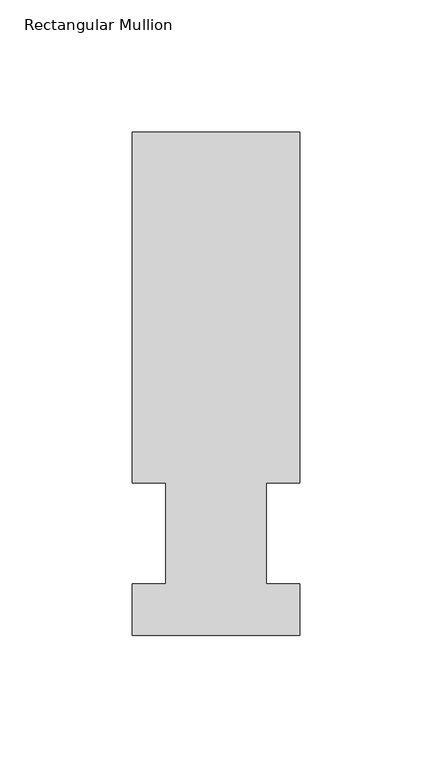
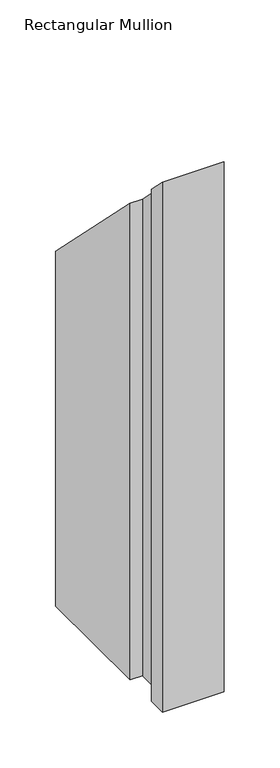
"""IFC4 building model written with IfcOpenShell, lengths in millimetres: member geometry, Rectangular Mullion."""

import ifcopenshell
import ifcopenshell.guid

model = None  # the IFC model being written
_history = None  # IfcOwnerHistory: only IFC2X3 demands one
_inside = {}  # id of a spatial element -> (the spatial element, [elements in it])
_under = {}  # id of a project, library or spatial element -> (it, [spatial elements below it])
_declared = {}  # id of a project -> (the project, [libraries it declares])
_typed = {}  # id of a type object -> (the type object, [elements of that type])
_made_of = {}  # id of a material, layer set ... -> (it, [elements and type objects made of it])


def new_model(schema):
    """Start an empty IFC model of exactly this schema.

    Asked for "IFC4X3", IfcOpenShell would pick the latest addendum, in which some entities
    have other attributes; the version numbers below select the first issue.
    IFC2X3 requires an IfcOwnerHistory on every rooted entity: one is made here for all.
    """
    global model, _history
    if schema == "IFC4X3":
        model = ifcopenshell.file(schema_version=(4, 3, 0, 0))
    else:
        model = ifcopenshell.file(schema=schema)
    _inside.clear()
    _under.clear()
    _declared.clear()
    _typed.clear()
    _made_of.clear()
    _history = None
    if model.schema == "IFC2X3":
        org = make("IfcOrganization", Name="unknown")
        user = make(
            "IfcPersonAndOrganization",
            ThePerson=make("IfcPerson", FamilyName="unknown"),
            TheOrganization=org,
        )
        app = make(
            "IfcApplication",
            ApplicationDeveloper=org,
            Version="unknown",
            ApplicationFullName="unknown",
            ApplicationIdentifier="unknown",
        )
        _history = make(
            "IfcOwnerHistory",
            OwningUser=user,
            OwningApplication=app,
            ChangeAction="ADDED",
            CreationDate=0,
        )
    return model


def make(cls, **values):
    """One entity of the class cls with the attributes given. An attribute that is None is left unset."""
    return model.create_entity(
        cls, **{name: value for name, value in values.items() if value is not None}
    )


def rooted(cls, **values):
    """An entity with a GlobalId (a new one), such as an element, a storey or a relation."""
    return make(cls, GlobalId=ifcopenshell.guid.new(), OwnerHistory=_history, **values)


def si_unit(unit_type, name, prefix=None):
    """IfcSIUnit, for example si_unit("LENGTHUNIT", "METRE", prefix="MILLI")."""
    return make("IfcSIUnit", UnitType=unit_type, Prefix=prefix, Name=name)


def assignment(units):
    """IfcUnitAssignment: the units of a project."""
    return None if units is None else make("IfcUnitAssignment", Units=units)


def point(xyz):
    """IfcCartesianPoint."""
    return None if xyz is None else make("IfcCartesianPoint", Coordinates=xyz)


def direction(xyz):
    """IfcDirection."""
    return None if xyz is None else make("IfcDirection", DirectionRatios=xyz)


def frame(location, z_axis=None, x_axis=None):
    """IfcAxis2Placement3D, a coordinate frame: its origin and axes. An axis left out is left unset."""
    return make(
        "IfcAxis2Placement3D",
        Location=point(location),
        Axis=direction(z_axis),
        RefDirection=direction(x_axis),
    )


def origin():
    """The frame at (0, 0, 0) with its axes left unset."""
    return frame((0.0, 0.0, 0.0))


def place(relative_to, where):
    """IfcLocalPlacement: puts the frame where relative to a parent placement (None: the world)."""
    return make(
        "IfcLocalPlacement", PlacementRelTo=relative_to, RelativePlacement=where
    )


def context(
    kind, dimensions, precision=None, world=None, true_north=None, identifier=None
):
    """IfcGeometricRepresentationContext, for example the 3D "Model" context."""
    return make(
        "IfcGeometricRepresentationContext",
        ContextIdentifier=identifier,
        ContextType=kind,
        CoordinateSpaceDimension=dimensions,
        Precision=precision,
        WorldCoordinateSystem=world,
        TrueNorth=true_north,
    )


def project(units=None, contexts=None):
    """IfcProject with its units and contexts."""
    return rooted(
        "IfcProject",
        Name="project",
        RepresentationContexts=contexts,
        UnitsInContext=assignment(units),
    )


def spatial(cls, under=None, at=None, **own):
    """A site, building, storey or space (cls), placed at a placement, below another one or the project."""
    s = rooted(cls, ObjectPlacement=at, **own)
    if under is not None:
        _under.setdefault(under.id(), (under, []))[1].append(s)
    return s


def faces_of(points, faces, orient=None, outer=None):
    """IfcFace entities. A face is a list of loops; a loop is a list of indices into points, from 0.

    orient and outer hold one flag for each loop. By default every Orientation is true, the
    first loop of a face is its IfcFaceOuterBound and the others are IfcFaceBound.
    """
    made = []
    for i, loops in enumerate(faces):
        bounds = []
        for j, loop in enumerate(loops):
            is_outer = j == 0 if outer is None else outer[i][j]
            bounds.append(
                make(
                    "IfcFaceOuterBound" if is_outer else "IfcFaceBound",
                    Bound=make("IfcPolyLoop", Polygon=[points[k] for k in loop]),
                    Orientation=True if orient is None else orient[i][j],
                )
            )
        made.append(make("IfcFace", Bounds=bounds))
    return made


def faceted_brep(points, faces, orient=None, outer=None, voids=None):
    """IfcFacetedBrep: a solid bounded by flat faces; with voids (closed shells), ...WithVoids."""
    shared = [point(p) for p in points]
    hull = make("IfcClosedShell", CfsFaces=faces_of(shared, faces, orient, outer))
    if voids is None:
        return make("IfcFacetedBrep", Outer=hull)
    return make(
        "IfcFacetedBrepWithVoids",
        Outer=hull,
        Voids=[
            make(cls, CfsFaces=faces_of(shared, fs, o, b)) for cls, fs, o, b in voids
        ],
    )


def shape(context_of_items, identifier, shape_type, items):
    """IfcShapeRepresentation: the items that make up one representation, for example the "Body"."""
    return make(
        "IfcShapeRepresentation",
        ContextOfItems=context_of_items,
        RepresentationIdentifier=identifier,
        RepresentationType=shape_type,
        Items=items,
    )


def source(mapping_origin, context_of_items, identifier, shape_type, items):
    """IfcRepresentationMap: a shape defined once, which mapped items show again and again."""
    return make(
        "IfcRepresentationMap",
        MappingOrigin=mapping_origin,
        MappedRepresentation=shape(context_of_items, identifier, shape_type, items),
    )


def transform(
    local_origin,
    x_axis=None,
    y_axis=None,
    z_axis=None,
    scale=None,
    scale2=None,
    scale3=None,
    uniform=True,
):
    """IfcCartesianTransformationOperator3D, or its non-uniform kind. x_axis, y_axis, z_axis: its Axis1, 2, 3."""
    if uniform:
        return make(
            "IfcCartesianTransformationOperator3D",
            Axis1=direction(x_axis),
            Axis2=direction(y_axis),
            LocalOrigin=point(local_origin),
            Scale=scale,
            Axis3=direction(z_axis),
        )
    return make(
        "IfcCartesianTransformationOperator3DnonUniform",
        Axis1=direction(x_axis),
        Axis2=direction(y_axis),
        LocalOrigin=point(local_origin),
        Scale=scale,
        Axis3=direction(z_axis),
        Scale2=scale2,
        Scale3=scale3,
    )


def mapped(mapping_source, mapping_target):
    """IfcMappedItem: shows the shape of a source again, moved by a transform."""
    return make(
        "IfcMappedItem", MappingSource=mapping_source, MappingTarget=mapping_target
    )


def made_of(thing, what):
    """Note that an element or type object is made of a material, layer set ...; save() writes the relation."""
    if what is not None:
        _made_of.setdefault(what.id(), (what, []))[1].append(thing)
    return thing


def element(
    cls,
    number,
    at=None,
    inside=None,
    cuts=None,
    type_object=None,
    material=None,
    context=None,
    identifier="Body",
    shape_type=None,
    held_by="IfcProductDefinitionShape",
    body=None,
    shapes=None,
    **own,
):
    """One element of the class cls, such as IfcWall. Its Tag is "e" and its number.

    at: its placement. inside: the storey or other place that contains it. cuts: it is an
    opening in that element (IfcRelVoidsElement). A single representation is given by context,
    identifier, shape_type and body (its items); several are given by shapes. held_by: the class
    of the entity that holds the representations. save() writes the other relations.
    """
    e = rooted(cls, Tag="e%d" % number, ObjectPlacement=at, **own)
    if body is not None:
        shapes = [shape(context, identifier, shape_type, body)]
    if shapes is not None:
        e.Representation = make(held_by, Representations=shapes)
    if inside is not None:
        _inside.setdefault(inside.id(), (inside, []))[1].append(e)
    if cuts is not None:
        rooted(
            "IfcRelVoidsElement", RelatingBuildingElement=cuts, RelatedOpeningElement=e
        )
    if type_object is not None:
        _typed.setdefault(type_object.id(), (type_object, []))[1].append(e)
    return made_of(e, material)


def aggregate(whole, parts):
    """IfcRelAggregates: a whole, such as a stair, and the parts it consists of."""
    return rooted("IfcRelAggregates", RelatingObject=whole, RelatedObjects=parts)


def save(model, path):
    """Write the relations noted so far, then the file.

    IfcRelAggregates (storeys below a building ...), IfcRelContainedInSpatialStructure (elements
    in a storey), IfcRelDefinesByType, IfcRelAssociatesMaterial and IfcRelDeclares: one each for
    every whole, place, type object, material and project.
    """
    for whole, parts in _under.values():
        aggregate(whole, parts)
    for where, things in _inside.values():
        rooted(
            "IfcRelContainedInSpatialStructure",
            RelatedElements=things,
            RelatingStructure=where,
        )
    for kind, things in _typed.values():
        rooted("IfcRelDefinesByType", RelatedObjects=things, RelatingType=kind)
    for what, things in _made_of.values():
        rooted("IfcRelAssociatesMaterial", RelatedObjects=things, RelatingMaterial=what)
    for by, libraries in _declared.values():
        rooted("IfcRelDeclares", RelatingContext=by, RelatedDefinitions=libraries)
    model.write(path)


def rectangular_mullion_42759eb8(model_context):
    return source(origin(), model_context, "Body", "Brep", [
        faceted_brep([(-63.5, 57.6460937, -577.81825), (-63.5, 190.5896938, -577.81825), (0.0, 190.5896938, -577.81825), (0.0, 57.6460937, -577.81825), (-12.6873, 57.6460937, -577.81825), (-12.6873, 19.5460938, -577.81825), (0.0, 19.5460938, -577.81825), (0.0, 0.0134938, -577.81825), (-63.5, 0.0134938, -577.81825), (-63.5, 19.5460938, -577.81825), (-50.8, 19.5460938, -577.81825), (-50.8, 57.6460937, -577.81825), (-50.8, 57.6460937, -57.6460937), (-63.5, 57.6460937, -57.6460937), (-50.8, 19.5460938, -19.5460938), (-63.5, 19.5460938, -19.5460938), (-63.5, 0.0134938, -0.0134938), (0.0, 0.0134938, -0.0134938), (0.0, 19.5460938, -19.5460938), (-12.6873, 19.5460938, -19.5460938), (-12.6873, 57.6460937, -57.6460937), (0.0, 57.6460937, -57.6460937), (0.0, 190.5896938, -190.5896938), (-63.5, 190.5896938, -190.5896938)], [[[0, 1, 2, 3, 4, 5, 6, 7, 8, 9, 10, 11]], [[12, 13, 0, 11]], [[14, 12, 11, 10]], [[15, 14, 10, 9]], [[16, 15, 9, 8]], [[17, 16, 8, 7]], [[18, 17, 7, 6]], [[19, 18, 6, 5]], [[20, 19, 5, 4]], [[21, 20, 4, 3]], [[22, 21, 3, 2]], [[23, 22, 2, 1]], [[13, 23, 1, 0]], [[13, 12, 14, 15, 16, 17, 18, 19, 20, 21, 22, 23]]]),
    ])


if __name__ == "__main__":
    model = new_model("IFC4")
    model_context = context("Model", 3, world=origin())
    ifc_project = project(units=[si_unit("LENGTHUNIT", "METRE", prefix="MILLI")], contexts=[model_context])
    site = spatial("IfcSite", under=ifc_project)
    building = spatial("IfcBuilding", under=site)
    placement = place(None, origin())
    rectangular_mullion_shape = rectangular_mullion_42759eb8(model_context)
    element("IfcMember", 1, ObjectType="Rectangular Mullion", at=placement, inside=building, context=model_context, shape_type="MappedRepresentation", body=[
        mapped(rectangular_mullion_shape, transform((0.0, 0.0, 0.0), x_axis=(1.0, 0.0, 0.0), y_axis=(0.0, 1.0, 0.0), z_axis=(0.0, 0.0, 1.0))),
    ])
    save(model, "model.ifc")
